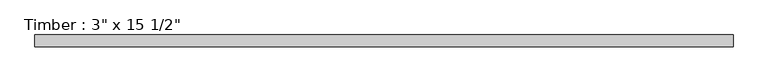
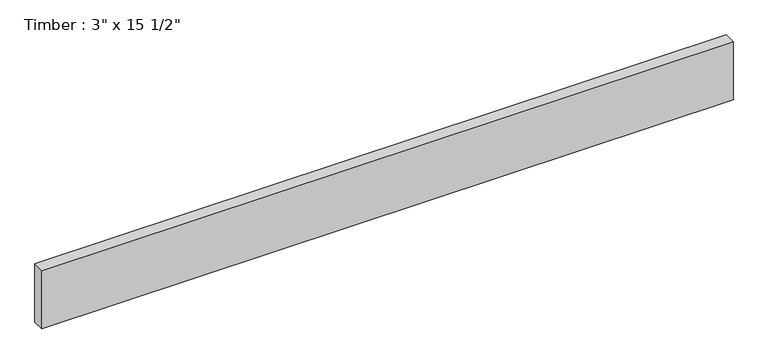
"""IFC4 building model written with IfcOpenShell, lengths in millimetres: beam geometry."""

from ifc_helpers import new_model, si_unit, frame, origin, place, context, project, spatial, polyline, outline, extrude, source, transform, mapped, element, save


def beam_593cf10f(model_context):
    return source(origin(), model_context, "Body", "SweptSolid", [
        extrude(outline(polyline([(2209.8, 38.1), (2209.8, -38.1), (-2209.8, -38.1), (-2209.8, 38.1), (2209.8, 38.1)])), frame((0.0, 0.0, -196.85), z_axis=(0.0, 0.0, 1.0), x_axis=(1.0, 0.0, 0.0)), (0.0, 0.0, 1.0), 393.7),
    ])


if __name__ == "__main__":
    model = new_model("IFC4")
    model_context = context("Model", 3, world=origin())
    ifc_project = project(units=[si_unit("LENGTHUNIT", "METRE", prefix="MILLI")], contexts=[model_context])
    site = spatial("IfcSite", under=ifc_project)
    building = spatial("IfcBuilding", under=site)
    placement = place(None, origin())
    beam_shape = beam_593cf10f(model_context)
    element("IfcBeam", 1, ObjectType="Timber : 3\" x 15 1/2\"", at=placement, inside=building, context=model_context, shape_type="MappedRepresentation", body=[
        mapped(beam_shape, transform((0.0, 0.0, 0.0), x_axis=(1.0, 0.0, 0.0), y_axis=(0.0, 1.0, 0.0), z_axis=(0.0, 0.0, 1.0))),
    ])
    save(model, "model.ifc")
